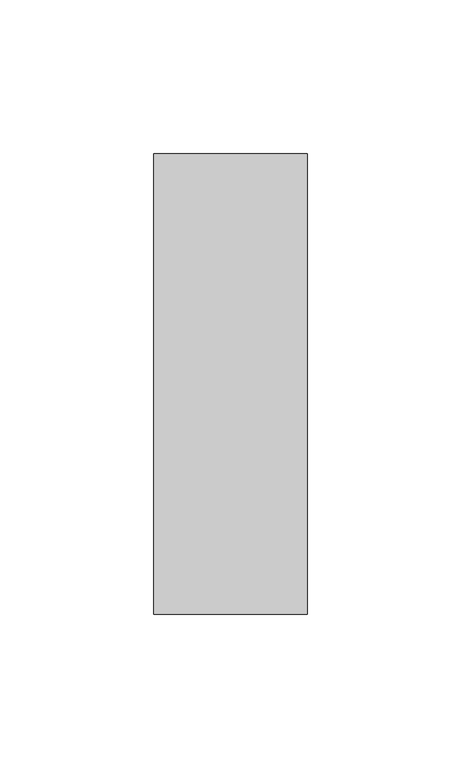
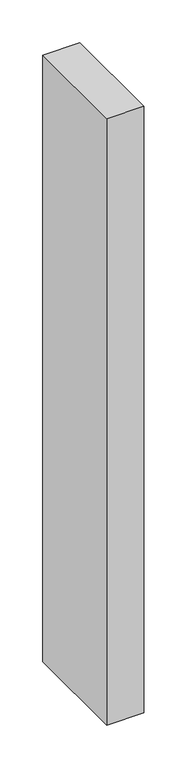
"""IFC4 building model written with IfcOpenShell, lengths in millimetres: member geometry."""

from ifc_helpers import new_model, si_unit, frame, origin, place, context, project, spatial, polyline, outline, extrude, source, transform, mapped, element, save


def member_1bae86f5(model_context):
    return source(origin(), model_context, "Body", "SweptSolid", [
        extrude(outline(polyline([(25.0, 75.0), (25.0, -75.0), (-25.0, -75.0), (-25.0, 75.0), (25.0, 75.0)])), frame((0.0, 0.0, -865.9348165), z_axis=(0.0, 0.0, 1.0), x_axis=(1.0, 0.0, 0.0)), (0.0, 0.0, 1.0), 865.9348165),
    ])


if __name__ == "__main__":
    model = new_model("IFC4")
    model_context = context("Model", 3, world=origin())
    ifc_project = project(units=[si_unit("LENGTHUNIT", "METRE", prefix="MILLI")], contexts=[model_context])
    site = spatial("IfcSite", under=ifc_project)
    building = spatial("IfcBuilding", under=site)
    placement = place(None, origin())
    member_shape = member_1bae86f5(model_context)
    element("IfcMember", 1, at=placement, inside=building, context=model_context, shape_type="MappedRepresentation", body=[
        mapped(member_shape, transform((0.0, 0.0, 0.0), x_axis=(1.0, 0.0, 0.0), y_axis=(0.0, 1.0, 0.0), z_axis=(0.0, 0.0, 1.0))),
    ])
    save(model, "model.ifc")
